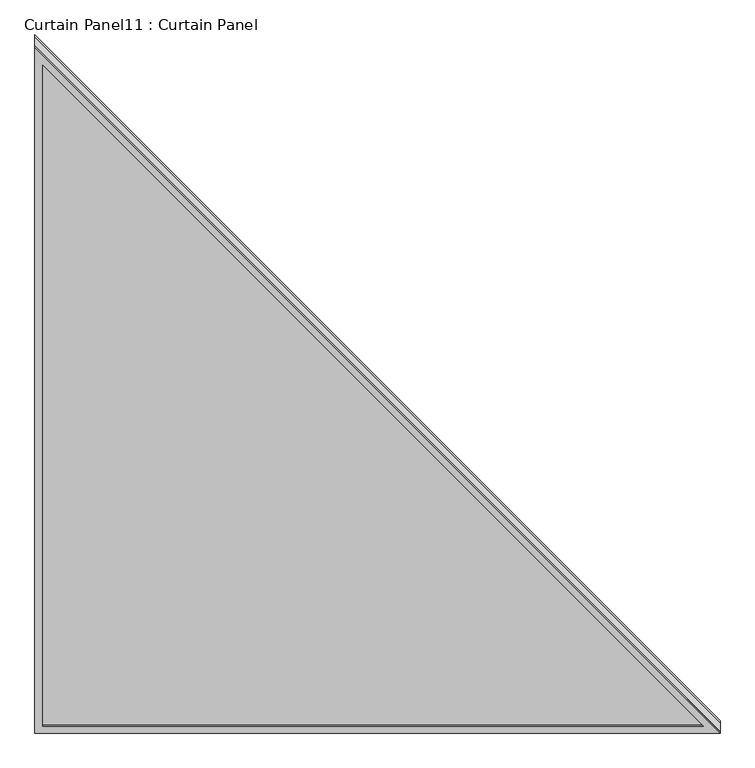
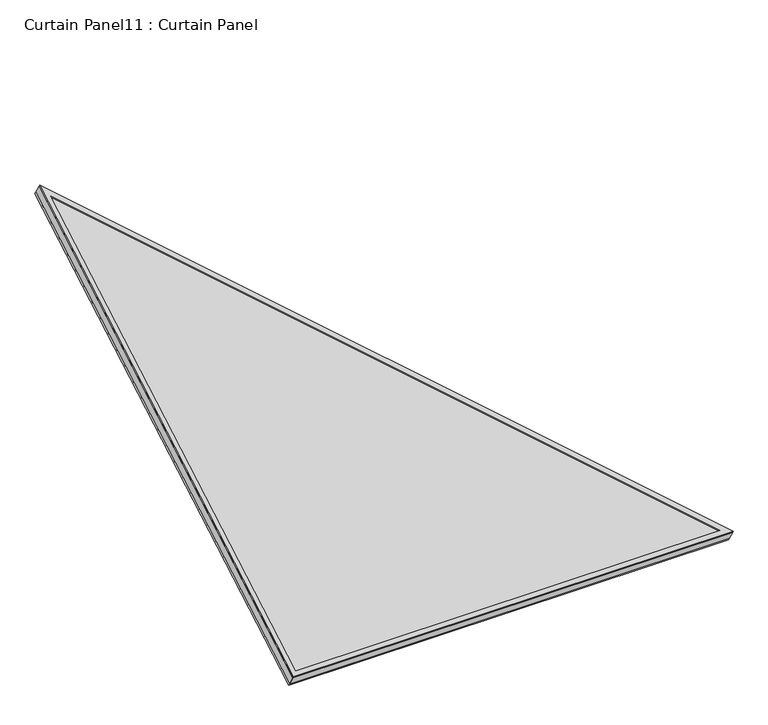
"""IFC4 building model written with IfcOpenShell, lengths in millimetres: plate geometry, Curtain Panel11 : Curtain Panel."""

from ifc_helpers import new_model, si_unit, frame, origin, place, context, project, spatial, polyline, outline, extrude, source, transform, mapped, element, save


def curtain_panel11_curtain_panel_3ee970c9(model_context):
    return source(origin(), model_context, "Body", "SweptSolid", [
        extrude(outline(polyline([(1284.5558134, -12.7), (-34.0642674, -12.7), (1284.5558134, 1129.2584878), (1284.5558134, -12.7)]), holes=[polyline([(1271.8558134, 0.0), (1271.8558134, 1101.4594443), (0.0, 0.0), (1271.8558134, 0.0)])]), frame((-5870.5692107, 5995.0322993, 637.5924879), z_axis=(0.0, -0.5000000000000023, 0.8660254037844374), x_axis=(0.0, -0.8660254037844374, -0.5000000000000023)), (0.0, 0.0, 1.0), 4.7673936),
        extrude(outline(polyline([(1284.5558134, -12.7), (-34.0642673, -12.7), (1284.5558134, 1129.2584878), (1284.5558134, -12.7)]), holes=[polyline([(1271.8558134, 0.0), (1271.8558134, 1101.4594443), (0.0, 0.0), (1271.8558134, 0.0)])]), frame((-5870.5692107, 6013.4600234, 605.6747336), z_axis=(0.0, -0.5000000000000022, 0.8660254037844375), x_axis=(0.0, -0.8660254037844375, -0.5000000000000022)), (0.0, 0.0, 1.0), 6.6929481),
        extrude(outline(polyline([(64.5415122, 0.0), (1206.5, 0.0), (1206.5, -1318.6200807), (64.5415122, 0.0)])), frame((-4676.7692107, 4897.6555823, -30.80691), z_axis=(0.0, -0.5000000000000002, 0.8660254037844386), x_axis=(-1.0, 0.0, 0.0)), (0.0, 0.0, 1.0), 30.1625),
    ])


if __name__ == "__main__":
    model = new_model("IFC4")
    model_context = context("Model", 3, world=origin())
    ifc_project = project(units=[si_unit("LENGTHUNIT", "METRE", prefix="MILLI")], contexts=[model_context])
    site = spatial("IfcSite", under=ifc_project)
    building = spatial("IfcBuilding", under=site)
    placement = place(None, origin())
    curtain_panel11_curtain_panel_shape = curtain_panel11_curtain_panel_3ee970c9(model_context)
    element("IfcPlate", 1, ObjectType="Curtain Panel11 : Curtain Panel", at=placement, inside=building, context=model_context, shape_type="MappedRepresentation", body=[
        mapped(curtain_panel11_curtain_panel_shape, transform((0.0, 0.0, 0.0), x_axis=(1.0, 0.0, 0.0), y_axis=(0.0, 1.0, 0.0), z_axis=(0.0, 0.0, 1.0))),
    ])
    save(model, "model.ifc")
